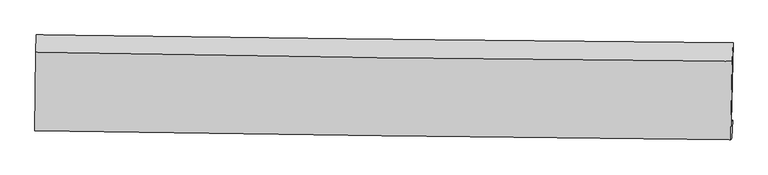
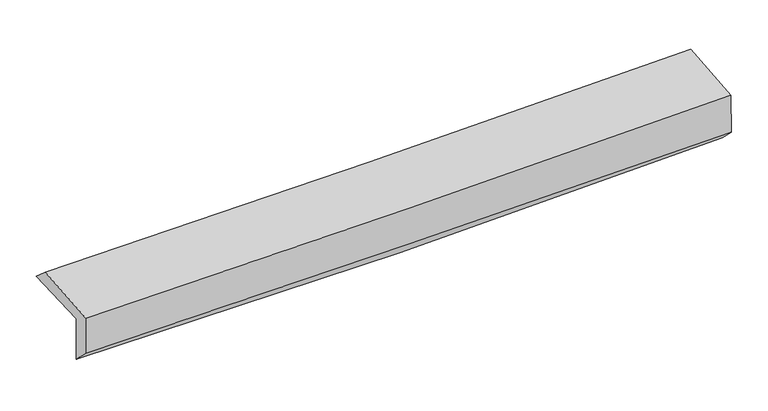
"""IFC4 building model written with IfcOpenShell, lengths in millimetres: proxy geometry."""

from ifc_helpers import new_model, si_unit, frame, origin, place, context, project, spatial, source, transform, mapped, element, save
from ifc_brep_helpers import plane_surface, spline_curve, spline_surface, advanced_brep


def generic_models_5a7e5592(model_context):
    return source(origin(), model_context, "Body", "AdvancedBrep", [
        advanced_brep(
        [(-2956.0166961, -1755.5288304, 1964.6511903), (-2947.3882929, -1104.5956309, 1981.957422), (2945.0547889, -1172.3661894, 2132.2264776), (2931.1818312, -1844.0287927, 2106.3540331), (-2945.8031235, -1736.7604093, 1555.4909938), (2941.1997132, -1826.7046504, 1704.0569487), (-2951.9339102, -1897.1421472, 1715.8693213), (2934.3957026, -1979.9589317, 1849.9358049), (-2960.7658456, -1913.3716772, 2069.6805251), (2925.3192003, -1990.5659652, 2219.0099067), (-2952.6345751, -1252.40857, 2113.1565773), (2938.5730119, -1327.4822016, 2262.9877484)],
        [
            (0, 1),
            (1, 2, spline_curve(3, [(-2947.3882929, -1104.5956309, 1981.957422), (-1964.196240551, -1116.951184173, 1985.52529238), (-981.21077584, -1128.780185626, 1999.848361477), (982.936325278, -1151.368861365, 2049.968899703), (1964.098554641, -1162.130045933, 2085.735515947), (2945.0547889, -1172.3661894, 2132.2264776)], [4, 2, 4], [0.0, 9.673057171318085, 19.33222991626942])),
            (2, 3),
            (3, 0, spline_curve(3, [(2931.1818312, -1844.0287927, 2106.3540331), (1951.1271735, -1833.395848807, 2063.841052991), (970.852474691, -1820.711151294, 2030.777682201), (-991.546401277, -1791.217066826, 1983.516215167), (-1973.671211658, -1774.401776833, 1969.345305367), (-2956.0166961, -1755.5288304, 1964.6511903)], [4, 2, 4], [0.0, 9.659172744951334, 19.33222991626942])),
            (4, 0),
            (3, 5),
            (5, 4, spline_curve(3, [(2941.1997132, -1826.7046504, 1704.0569487), (1961.378378447, -1815.10074349, 1652.684994042), (981.236709408, -1801.810031822, 1614.617849934), (-981.096647938, -1771.833471183, 1565.057587637), (-1963.289257558, -1755.142768823, 1553.602747184), (-2945.8031235, -1736.7604093, 1555.4909938)], [4, 2, 4], [0.0, 9.65519315976891, 19.32426502551227])),
            (6, 4),
            (5, 7),
            (7, 6, spline_curve(3, [(2934.3957026, -1979.9589317, 1849.9358049), (1954.4932773, -1962.871575213, 1814.547230154), (974.367055225, -1947.430271752, 1785.684069673), (-987.742172184, -1919.819941282, 1740.976468685), (-1969.72582082, -1907.655649774, 1725.1508011), (-2951.9339102, -1897.1421472, 1715.8693213)], [4, 2, 4], [0.0, 9.654058803037346, 19.321994681485847])),
            (8, 6),
            (7, 9),
            (9, 8, spline_curve(3, [(2925.3192003, -1990.5659652, 2219.0099067), (1945.195553937, -1982.524012544, 2185.697355698), (964.978992689, -1972.076527858, 2156.602870802), (-997.049088368, -1946.352018975, 2106.81427518), (-1978.860876024, -1931.068074507, 2086.132299476), (-2960.7658456, -1913.3716772, 2069.6805251)], [4, 2, 4], [0.0, 9.652748652611226, 19.319372497378428])),
            (10, 8),
            (9, 11),
            (11, 10, spline_curve(3, [(2938.5730119, -1327.4822016, 2262.9877484), (1957.486993701, -1319.05213615, 2229.714985368), (976.362635526, -1308.586923176, 2200.598652933), (-987.373116256, -1283.568234378, 2150.642971448), (-1969.984620725, -1269.008903375, 2129.815580174), (-2952.6345751, -1252.40857, 2113.1565773)], [4, 2, 4], [0.0, 9.656968489702681, 19.32781823729998])),
            (1, 10),
            (11, 2),
        ],
        [
            spline_surface(3, 3, [[(-2956.0166961, -1755.5288304, 1964.6511903), (-1973.671211749, -1774.401776696, 1969.345305226), (-991.546401318, -1791.217066727, 1983.516215267), (970.852474732, -1820.711151393, 2030.777682102), (1951.127173414, -1833.395848807, 2063.841053011), (2931.1818312, -1844.0287927, 2106.3540331)], [(-2953.140561702, -1538.551097225, 1970.419934196), (-1970.512888017, -1555.251579207, 1974.738634272), (-988.101192847, -1570.404773042, 1988.96026397), (974.880424956, -1597.597054707, 2037.174754676), (1955.450967184, -1609.640581232, 2071.139207353), (2935.80615045, -1620.14125827, 2114.978181275)], [(-2950.264427298, -1321.573364075, 1976.188678104), (-1967.354564277, -1336.101381744, 1980.13196333), (-984.655984407, -1349.592479349, 1994.404312663), (978.90837515, -1374.482958013, 2043.57182724), (1959.774760906, -1385.885313648, 2078.437361672), (2940.43046965, -1396.25372383, 2123.602329425)], [(-2947.3882929, -1104.5956309, 1981.957422), (-1964.196240544, -1116.951184256, 1985.525292376), (-981.210775937, -1128.780185664, 1999.848361367), (982.936325374, -1151.368861327, 2049.968899814), (1964.098554676, -1162.130046073, 2085.735516014), (2945.0547889, -1172.3661894, 2132.2264776)]], [4, 4], [4, 2, 4], [0.0, 2.185747066289457], [0.0, 9.673057171318085, 19.33222991626942]),
            spline_surface(3, 3, [[(-2945.8031235, -1736.7604093, 1555.4909938), (-1963.289257672, -1755.142768804, 1553.602747083), (-981.09664792, -1771.833471056, 1565.057587764), (981.236709391, -1801.810031949, 1614.617849807), (1961.378378553, -1815.100743359, 1652.684994085), (2941.1997132, -1826.7046504, 1704.0569487)], [(-2949.20764771, -1743.016549695, 1691.877725982), (-1966.749909042, -1761.56243813, 1692.183599813), (-984.579899053, -1778.294669618, 1704.543796918), (977.775297838, -1808.110405102, 1753.337793892), (1957.961310164, -1821.199111845, 1789.73701373), (2937.86041919, -1832.479364504, 1838.155976837)], [(-2952.61217189, -1749.272690005, 1828.264458118), (-1970.21056038, -1767.98210737, 1830.764452496), (-988.063150185, -1784.755868164, 1844.030006113), (974.313886285, -1814.410778239, 1892.057738018), (1954.544241803, -1827.297480321, 1926.789033365), (2934.52112521, -1838.254078596, 1972.255004963)], [(-2956.0166961, -1755.5288304, 1964.6511903), (-1973.671211749, -1774.401776696, 1969.345305226), (-991.546401318, -1791.217066727, 1983.516215267), (970.852474732, -1820.711151393, 2030.777682102), (1951.127173414, -1833.395848807, 2063.841053011), (2931.1818312, -1844.0287927, 2106.3540331)]], [4, 4], [4, 2, 4], [0.0, 1.3709959218149919], [0.0, 9.669071865743359, 19.32426502551227]),
            spline_surface(3, 3, [[(-2951.9339102, -1897.1421472, 1715.8693213), (-1969.725820769, -1907.655649913, 1725.150801239), (-987.742172026, -1919.819941304, 1740.976468651), (974.367055067, -1947.43027173, 1785.684069706), (1954.49327724, -1962.871575162, 1814.547230168), (2934.3957026, -1979.9589317, 1849.9358049)], [(-2949.890314625, -1843.681567877, 1662.409878811), (-1967.580299728, -1856.818022854, 1667.968116531), (-985.52699732, -1870.491117868, 1682.336841682), (976.656939845, -1898.890191783, 1728.6619964), (1956.788311004, -1913.614631218, 1760.593151492), (2936.663706126, -1928.874171257, 1801.309519519)], [(-2947.846719075, -1790.220988623, 1608.950436289), (-1965.434778713, -1805.980395863, 1610.785431791), (-983.311822626, -1821.162294492, 1623.697214733), (978.946824612, -1850.350111896, 1671.639923114), (1959.083344789, -1864.357687303, 1706.63907276), (2938.931709674, -1877.789410843, 1752.683234081)], [(-2945.8031235, -1736.7604093, 1555.4909938), (-1963.289257672, -1755.142768804, 1553.602747083), (-981.09664792, -1771.833471056, 1565.057587764), (981.236709391, -1801.810031949, 1614.617849807), (1961.378378553, -1815.100743359, 1652.684994085), (2941.1997132, -1826.7046504, 1704.0569487)]], [4, 4], [4, 2, 4], [0.0, 0.7459728075988301], [0.0, 9.667935878448501, 19.321994681485847]),
            spline_surface(3, 3, [[(-2960.7658456, -1913.3716772, 2069.6805251), (-1978.860876182, -1931.068074376, 2086.132299518), (-997.0490885, -1946.352019029, 2106.814275175), (964.97899282, -1972.076527804, 2156.602870808), (1945.195553781, -1982.524012482, 2185.697355688), (2925.3192003, -1990.5659652, 2219.0099067)], [(-2957.821867131, -1907.96183386, 1951.743457162), (-1975.815857708, -1923.263932881, 1965.805133421), (-993.94678302, -1937.507993128, 1984.868339684), (968.108346891, -1963.861109121, 2032.963270458), (1948.29479495, -1975.97320004, 2061.980647175), (2928.344701083, -1987.030287364, 2095.985206093)], [(-2954.877888669, -1902.55199054, 1833.806389238), (-1972.770839242, -1915.459791408, 1845.477967336), (-990.844477506, -1928.663967204, 1862.922404142), (971.237700995, -1955.645690414, 1909.323670056), (1951.394036071, -1969.422387604, 1938.263938681), (2931.370201817, -1983.494609536, 1972.960505507)], [(-2951.9339102, -1897.1421472, 1715.8693213), (-1969.725820769, -1907.655649913, 1725.150801239), (-987.742172026, -1919.819941304, 1740.976468651), (974.367055067, -1947.43027173, 1785.684069706), (1954.49327724, -1962.871575162, 1814.547230168), (2934.3957026, -1979.9589317, 1849.9358049)]], [4, 4], [4, 2, 4], [0.0, 1.2118790742124501], [0.0, 9.666623844767201, 19.319372497378428]),
            spline_surface(3, 3, [[(-2952.6345751, -1252.40857, 2113.1565773), (-1969.984620753, -1269.008903365, 2129.815580166), (-987.373116379, -1283.568234335, 2150.642971449), (976.362635648, -1308.586923218, 2200.598652931), (1957.486993619, -1319.052136108, 2229.714985344), (2938.5730119, -1327.4822016, 2262.9877484)], [(-2955.344998595, -1472.729605749, 2098.664559908), (-1972.943372557, -1489.695293717, 2115.254486624), (-990.598440434, -1504.496162557, 2136.033406012), (972.568088023, -1529.750124738, 2185.933392211), (1953.389847013, -1540.209428247, 2215.04244213), (2934.155074707, -1548.510122813, 2248.328467838)], [(-2958.055422105, -1693.050641451, 2084.172542492), (-1975.902124378, -1710.381684023, 2100.69339306), (-993.823764444, -1725.424090806, 2121.423840612), (968.773540444, -1750.913326285, 2171.268131528), (1949.292700387, -1761.366720344, 2200.369898903), (2929.737137493, -1769.538043987, 2233.669187262)], [(-2960.7658456, -1913.3716772, 2069.6805251), (-1978.860876182, -1931.068074376, 2086.132299518), (-997.0490885, -1946.352019029, 2106.814275175), (964.97899282, -1972.076527804, 2156.602870808), (1945.195553781, -1982.524012482, 2185.697355688), (2925.3192003, -1990.5659652, 2219.0099067)]], [4, 4], [4, 2, 4], [0.0, 2.1806820699406058], [0.0, 9.670849747597298, 19.32781823729998]),
            spline_surface(3, 3, [[(-2947.3882929, -1104.5956309, 1981.957422), (-1964.196240544, -1116.951184256, 1985.525292376), (-981.210775937, -1128.780185664, 1999.848361367), (982.936325374, -1151.368861327, 2049.968899814), (1964.098554676, -1162.130046073, 2085.735516014), (2945.0547889, -1172.3661894, 2132.2264776)], [(-2949.137053638, -1153.866610595, 2025.690473742), (-1966.125700618, -1167.63709062, 2033.622054947), (-983.264889405, -1180.376201902, 2050.113231406), (980.745095478, -1203.774881971, 2100.178817531), (1961.894700968, -1214.43740941, 2133.72867243), (2942.894196544, -1224.071526792, 2175.813567839)], [(-2950.885814362, -1203.137590305, 2069.423525558), (-1968.055160679, -1218.322997, 2081.718817594), (-985.31900291, -1231.972218098, 2100.37810141), (978.553865544, -1256.180902574, 2150.388735214), (1959.690847327, -1266.744772771, 2181.721828929), (2940.733604256, -1275.776864208, 2219.400658161)], [(-2952.6345751, -1252.40857, 2113.1565773), (-1969.984620753, -1269.008903365, 2129.815580166), (-987.373116379, -1283.568234335, 2150.642971449), (976.362635648, -1308.586923218, 2200.598652931), (1957.486993619, -1319.052136108, 2229.714985344), (2938.5730119, -1327.4822016, 2262.9877484)]], [4, 4], [4, 2, 4], [0.0, 0.7119585114163381], [0.0, 9.676141382989691, 19.33839391262444]),
            plane_surface(frame((2935.9540414, -1690.1844552, 2045.7618199), z_axis=(0.999480258870585, -0.021566857731344848, 0.023960024532218096), x_axis=(0.024575054470951548, 0.02871903914234154, -0.9992853864079523))),
            plane_surface(frame((-2952.4237405, -1609.9678775, 1900.1343383), z_axis=(-0.9996077533647669, 0.01389669552487913, -0.024315041980883335), x_axis=(-0.013249590213219736, -0.9995590095884112, -0.026575076854382255))),
        ],
        [
            (0, [[1, 2, 3, 4]]),
            (1, [[5, -4, 6, 7]]),
            (2, [[8, -7, 9, 10]]),
            (3, [[11, -10, 12, 13]]),
            (4, [[14, -13, 15, 16]]),
            (5, [[17, -16, 18, -2]]),
            (6, [[-12, -9, -6, -3, -18, -15]]),
            (7, [[-1, -5, -8, -11, -14, -17]]),
        ],
    ),
    ])


if __name__ == "__main__":
    model = new_model("IFC4")
    model_context = context("Model", 3, world=origin())
    ifc_project = project(units=[si_unit("LENGTHUNIT", "METRE", prefix="MILLI")], contexts=[model_context])
    site = spatial("IfcSite", under=ifc_project)
    building = spatial("IfcBuilding", under=site)
    placement = place(None, origin())
    generic_models_shape = generic_models_5a7e5592(model_context)
    element("IfcBuildingElementProxy", 1, Name="Generic Models", at=placement, inside=building, context=model_context, shape_type="MappedRepresentation", body=[
        mapped(generic_models_shape, transform((0.0, 0.0, 0.0), x_axis=(1.0, 0.0, 0.0), y_axis=(0.0, 1.0, 0.0), z_axis=(0.0, 0.0, 1.0))),
    ])
    save(model, "model.ifc")
